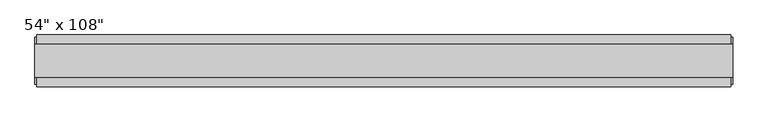
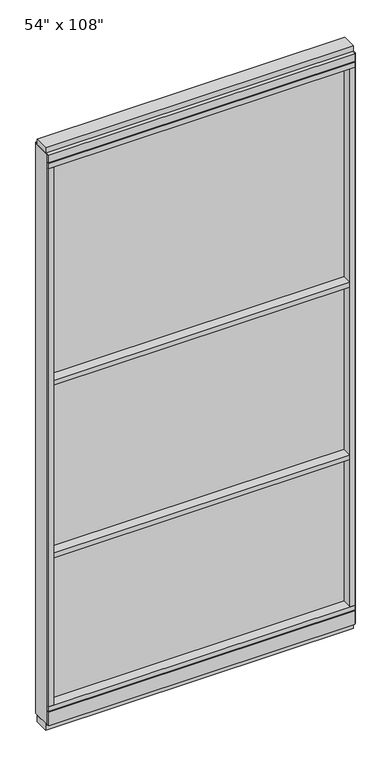
"""IFC4 building model written with IfcOpenShell, lengths in millimetres: furniture geometry."""

from ifc_helpers import new_model, si_unit, frame, origin, origin_with_axes, place, context, project, spatial, polyline, outline, extrude, source, transform, mapped, element, save


def furniture_1d02e74c(model_context):
    return source(origin(), model_context, "Body", "SweptSolid", [
        extrude(outline(polyline([(-719.6745229, -52.3332216), (-719.6745229, 43.2977784), (599.6014771, 43.2977784), (599.6014771, -52.3332216), (-719.6745229, -52.3332216)])), frame((0.0, 0.0, 1625.6), z_axis=(0.0, 0.0, 1.0), x_axis=(1.0, 0.0, 0.0)), (0.0, 0.0, 1.0), 22.225),
        extrude(outline(polyline([(-719.6745229, -52.3332216), (-719.6745229, 43.2977784), (599.6014771, 43.2977784), (599.6014771, -52.3332216), (-719.6745229, -52.3332216)])), frame((0.0, 0.0, 812.8), z_axis=(0.0, 0.0, 1.0), x_axis=(1.0, 0.0, 0.0)), (0.0, 0.0, 1.0), 22.225),
        extrude(outline(polyline([(599.6014771, -9.5977216), (-719.6745229, -9.5977216), (-719.6745229, 0.5622784), (599.6014771, 0.5622784), (599.6014771, -9.5977216)])), frame((0.0, 0.0, 120.523), z_axis=(0.0, 0.0, 1.0), x_axis=(1.0, 0.0, 0.0)), (0.0, 0.0, 1.0), 2533.777),
        extrude(outline(polyline([(-55.3177216, 93.345), (-50.3647216, 93.345), (-50.3647216, 98.298), (41.3292784, 98.298), (41.3292784, 93.345), (46.2822784, 93.345), (46.2822784, 31.75), (-55.3177216, 31.75), (-55.3177216, 93.345)])), frame((-741.8995229, 0.0, 0.0), z_axis=(1.0, 0.0, 0.0), x_axis=(0.0, 1.0, 0.0)), (0.0, 0.0, 1.0), 1363.726),
        extrude(outline(polyline([(-741.8995229, -55.3177216), (-741.8995229, 46.2822784), (621.8264771, 46.2822784), (621.8264771, -55.3177216), (-741.8995229, -55.3177216)])), frame((0.0, 0.0, 98.298), z_axis=(0.0, 0.0, 1.0), x_axis=(1.0, 0.0, 0.0)), (0.0, 0.0, 1.0), 22.225),
        extrude(outline(polyline([(625.7634771, 27.9942784), (625.7634771, -37.0297216), (-745.8365229, -37.0297216), (-745.8365229, 27.9942784), (625.7634771, 27.9942784)])), origin_with_axes(), (0.0, 0.0, 1.0), 31.75),
        extrude(outline(polyline([(-745.8365229, -37.0297216), (-745.8365229, 27.9942784), (625.7634771, 27.9942784), (625.7634771, -37.0297216), (-745.8365229, -37.0297216)])), frame((0.0, 0.0, 2717.8), z_axis=(0.0, 0.0, 1.0), x_axis=(1.0, 0.0, 0.0)), (0.0, 0.0, 1.0), 25.4),
        extrude(outline(polyline([(-55.3177216, 2681.478), (-55.3177216, 2717.8), (46.2822784, 2717.8), (46.2822784, 2681.478), (41.3292784, 2681.478), (41.3292784, 2676.525), (-50.3647216, 2676.525), (-50.3647216, 2681.478), (-55.3177216, 2681.478)])), frame((-741.8995229, 0.0, 0.0), z_axis=(1.0, 0.0, 0.0), x_axis=(0.0, 1.0, 0.0)), (0.0, 0.0, 1.0), 1363.726),
        extrude(outline(polyline([(621.8264771, 46.2822784), (621.8264771, -55.3177216), (-741.8995229, -55.3177216), (-741.8995229, 46.2822784), (621.8264771, 46.2822784)])), frame((0.0, 0.0, 2654.3), z_axis=(0.0, 0.0, 1.0), x_axis=(1.0, 0.0, 0.0)), (0.0, 0.0, 1.0), 22.225),
        extrude(outline(polyline([(599.6014771, -55.3177216), (599.6014771, 46.2822784), (621.8264771, 46.2822784), (621.8264771, -55.3177216), (599.6014771, -55.3177216)])), frame((0.0, 0.0, 120.523), z_axis=(0.0, 0.0, 1.0), x_axis=(1.0, 0.0, 0.0)), (0.0, 0.0, 1.0), 2533.777),
        extrude(outline(polyline([(-719.6745229, -55.3177216), (-741.8995229, -55.3177216), (-741.8995229, 46.2822784), (-719.6745229, 46.2822784), (-719.6745229, -55.3177216)])), frame((0.0, 0.0, 120.523), z_axis=(0.0, 0.0, 1.0), x_axis=(1.0, 0.0, 0.0)), (0.0, 0.0, 1.0), 2533.777),
        extrude(outline(polyline([(625.7634771, -50.3647216), (621.8264771, -50.3647216), (621.8264771, 41.3292784), (625.7634771, 41.3292784), (625.7634771, -50.3647216)])), frame((0.0, 0.0, 31.75), z_axis=(0.0, 0.0, 1.0), x_axis=(1.0, 0.0, 0.0)), (0.0, 0.0, 1.0), 2686.05),
        extrude(outline(polyline([(-745.8365229, -50.3647216), (-745.8365229, 41.3292784), (-741.8995229, 41.3292784), (-741.8995229, -50.3647216), (-745.8365229, -50.3647216)])), frame((0.0, 0.0, 31.75), z_axis=(0.0, 0.0, 1.0), x_axis=(1.0, 0.0, 0.0)), (0.0, 0.0, 1.0), 2686.05),
    ])


if __name__ == "__main__":
    model = new_model("IFC4")
    model_context = context("Model", 3, world=origin())
    ifc_project = project(units=[si_unit("LENGTHUNIT", "METRE", prefix="MILLI")], contexts=[model_context])
    site = spatial("IfcSite", under=ifc_project)
    building = spatial("IfcBuilding", under=site)
    placement = place(None, origin())
    furniture_shape = furniture_1d02e74c(model_context)
    element("IfcFurniture", 1, ObjectType="54\" x 108\"", at=placement, inside=building, context=model_context, shape_type="MappedRepresentation", body=[
        mapped(furniture_shape, transform((0.0, 0.0, 0.0), x_axis=(1.0, 0.0, 0.0), y_axis=(0.0, 1.0, 0.0), z_axis=(0.0, 0.0, 1.0))),
    ])
    save(model, "model.ifc")
